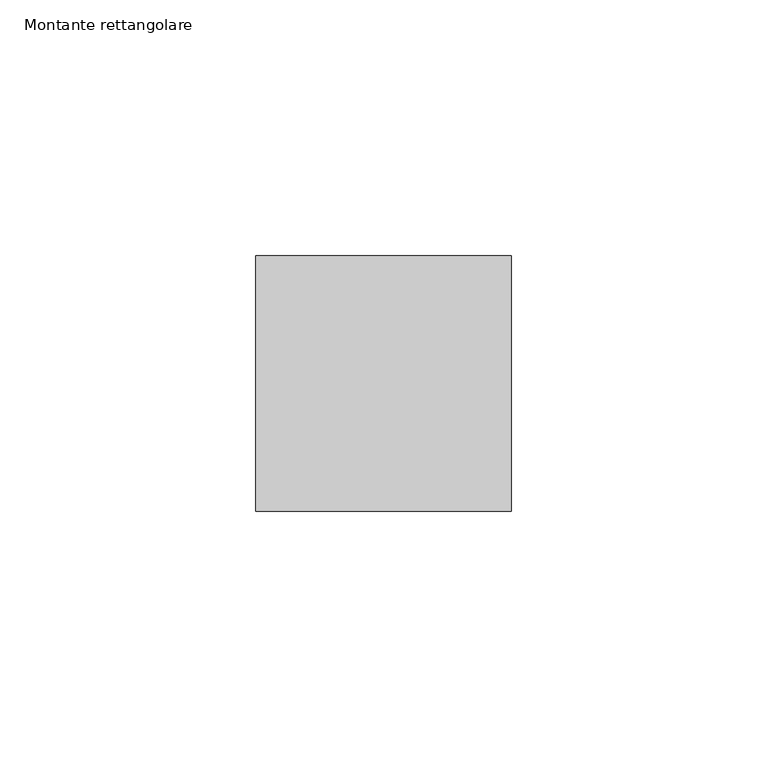
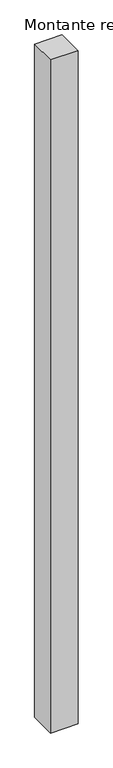
"""IFC4 building model written with IfcOpenShell, lengths in millimetres: member geometry, Montante rettangolare."""

from ifc_helpers import new_model, si_unit, frame, origin, place, context, project, spatial, polyline, outline, extrude, source, transform, mapped, element, save


def montante_rettangolare_ee5bd4f4(model_context):
    return source(origin(), model_context, "Body", "SweptSolid", [
        extrude(outline(polyline([(25.0, 25.0), (25.0, -25.0), (-25.0, -25.0), (-25.0, 25.0), (25.0, 25.0)])), frame((0.0, 0.0, -1290.0), z_axis=(0.0, 0.0, 1.0), x_axis=(1.0, 0.0, 0.0)), (0.0, 0.0, 1.0), 1290.0),
    ])


if __name__ == "__main__":
    model = new_model("IFC4")
    model_context = context("Model", 3, world=origin())
    ifc_project = project(units=[si_unit("LENGTHUNIT", "METRE", prefix="MILLI")], contexts=[model_context])
    site = spatial("IfcSite", under=ifc_project)
    building = spatial("IfcBuilding", under=site)
    placement = place(None, origin())
    montante_rettangolare_shape = montante_rettangolare_ee5bd4f4(model_context)
    element("IfcMember", 1, ObjectType="Montante rettangolare", at=placement, inside=building, context=model_context, shape_type="MappedRepresentation", body=[
        mapped(montante_rettangolare_shape, transform((0.0, 0.0, 0.0), x_axis=(1.0, 0.0, 0.0), y_axis=(0.0, 1.0, 0.0), z_axis=(0.0, 0.0, 1.0))),
    ])
    save(model, "model.ifc")
